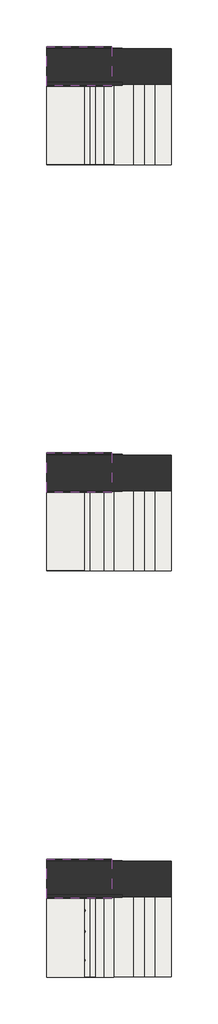
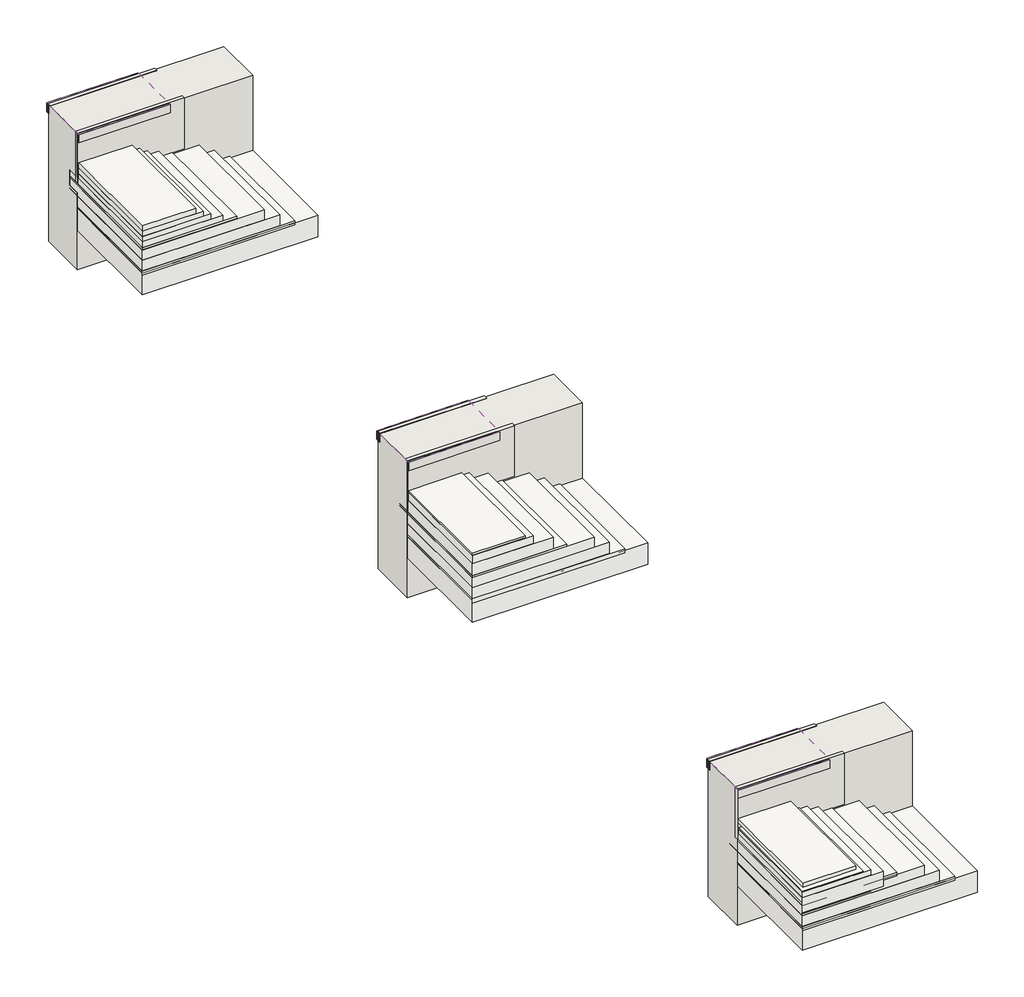
# One storey: 19 slabs, 15 walls, 10 coverings, 6 pipe segments.
"""IFC4 building model written with IfcOpenShell, lengths in millimetres."""

from ifc_helpers import new_model, si_unit, point, frame, frame_2d, origin, place, context, project, spatial, polyline, circle_curve, trimmed, segment, composite_curve, outline, extrude, faceted_brep, element, save

model = new_model("IFC4")

# Units and contexts
model_context = context("Model", 3, world=origin())
ifc_project = project(units=[si_unit("LENGTHUNIT", "METRE", prefix="MILLI")], contexts=[model_context])

# Site, building, storey
site = spatial("IfcSite", under=ifc_project)
building = spatial("IfcBuilding", under=site)
storey = spatial("IfcBuildingStorey", under=building, Elevation=0.0)

# Coverings
placement = place(None, origin())
element("IfcCovering", 1, at=placement, inside=storey, context=model_context, shape_type="SweptSolid", body=[
    extrude(outline(polyline([(-23182.5624154, -7231.5458538), (-21182.5624154, -7231.5458538), (-21182.5624154, -8710.8477988), (-23182.5624154, -8710.8477988), (-23182.5624154, -7231.5458538)])), frame((0.0, 0.0, 179.3793099), z_axis=(0.0, 0.0, 1.0), x_axis=(1.0, 0.0, 0.0)), (0.0, 0.0, 1.0), 57.0),
])
element("IfcCovering", 2, at=placement, inside=storey, context=model_context, shape_type="SweptSolid", body=[
    extrude(outline(polyline([(-23182.5624154, -7061.953305), (-21942.5624154, -7061.953305), (-21942.5624154, -8705.5927539), (-23182.5624154, -8705.5927539), (-23182.5624154, -7061.953305)])), frame((0.0, 0.0, 507.3951932), z_axis=(0.0, 0.0, 1.0), x_axis=(1.0, 0.0, 0.0)), (0.0, 0.0, 1.0), 52.0),
])
element("IfcCovering", 3, at=placement, inside=storey, context=model_context, shape_type="SweptSolid", body=[
    extrude(outline(polyline([(-23182.5624154, -6530.8983335), (-21982.5624154, -6530.8983335), (-21982.5624154, -7258.1400678), (-23182.5624154, -7258.1400678), (-23182.5624154, -6530.8983335)])), frame((0.0, 0.0, 1254.3055564), z_axis=(0.0, 0.0, 1.0), x_axis=(1.0, 0.0, 0.0)), (0.0, 0.0, 1.0), 52.0),
])
element("IfcCovering", 4, at=placement, inside=storey, context=model_context, shape_type="SweptSolid", body=[
    extrude(outline(polyline([(-23182.5624154, -14731.5458538), (-21182.5624154, -14731.5458538), (-21182.5624154, -16210.8477988), (-23182.5624154, -16210.8477988), (-23182.5624154, -14731.5458538)])), frame((0.0, 0.0, 179.3793099), z_axis=(0.0, 0.0, 1.0), x_axis=(1.0, 0.0, 0.0)), (0.0, 0.0, 1.0), 57.0),
])
element("IfcCovering", 5, at=placement, inside=storey, context=model_context, shape_type="SweptSolid", body=[
    extrude(outline(polyline([(-23182.5624154, -14561.953305), (-21942.5624154, -14561.953305), (-21942.5624154, -16208.7700458), (-23182.5624154, -16208.7700458), (-23182.5624154, -14561.953305)])), frame((0.0, 0.0, 507.3951932), z_axis=(0.0, 0.0, 1.0), x_axis=(1.0, 0.0, 0.0)), (0.0, 0.0, 1.0), 52.0),
])
element("IfcCovering", 6, at=placement, inside=storey, context=model_context, shape_type="SweptSolid", body=[
    extrude(outline(polyline([(-23182.5624154, -14033.7541097), (-21982.5624154, -14033.7541097), (-21982.5624154, -14760.9958441), (-23182.5624154, -14760.9958441), (-23182.5624154, -14033.7541097)])), frame((0.0, 0.0, 1254.3055564), z_axis=(0.0, 0.0, 1.0), x_axis=(1.0, 0.0, 0.0)), (0.0, 0.0, 1.0), 52.0),
])
element("IfcCovering", 7, at=placement, inside=storey, context=model_context, shape_type="SweptSolid", body=[
    extrude(outline(polyline([(-23182.5624154, -22231.5458538), (-21182.5624154, -22231.5458538), (-21182.5624154, -23710.8477988), (-23182.5624154, -23710.8477988), (-23182.5624154, -22231.5458538)])), frame((0.0, 0.0, 179.3793099), z_axis=(0.0, 0.0, 1.0), x_axis=(1.0, 0.0, 0.0)), (0.0, 0.0, 1.0), 57.0),
])
element("IfcCovering", 8, at=placement, inside=storey, context=model_context, shape_type="SweptSolid", body=[
    extrude(outline(polyline([(-23182.5624154, -22061.953305), (-21942.5624154, -22061.953305), (-21942.5624154, -23711.953305), (-23182.5624154, -23711.953305), (-23182.5624154, -22061.953305)])), frame((0.0, 0.0, 507.3951932), z_axis=(0.0, 0.0, 1.0), x_axis=(1.0, 0.0, 0.0)), (0.0, 0.0, 1.0), 52.0),
])
element("IfcCovering", 9, at=placement, inside=storey, context=model_context, shape_type="SweptSolid", body=[
    extrude(outline(polyline([(-23182.5624154, -22240.66973), (-22482.5624154, -22240.66973), (-22482.5624154, -23719.971675), (-23182.5624154, -23719.971675), (-23182.5624154, -22240.66973)])), frame((0.0, 0.0, 791.8317649), z_axis=(0.0, 0.0, 1.0), x_axis=(1.0, 0.0, 0.0)), (0.0, 0.0, 1.0), 52.0),
])
element("IfcCovering", 10, at=placement, inside=storey, context=model_context, shape_type="SweptSolid", body=[
    extrude(outline(polyline([(-23182.5624154, -21533.7541097), (-21982.5624154, -21533.7541097), (-21982.5624154, -22260.9958441), (-23182.5624154, -22260.9958441), (-23182.5624154, -21533.7541097)])), frame((0.0, 0.0, 1254.3055564), z_axis=(0.0, 0.0, 1.0), x_axis=(1.0, 0.0, 0.0)), (0.0, 0.0, 1.0), 52.0),
])

# Pipe segments
element("IfcPipeSegment", 11, at=placement, inside=storey, context=model_context, shape_type="SweptSolid", body=[
    extrude(outline(composite_curve([segment(trimmed(circle_curve(frame_2d((-22522.6890772, -23403.1916701)), 21.082), [point((-22543.7710772, -23403.1916701))], [point((-22522.6890772, -23382.1096701))], False, "CARTESIAN"), True, "CONTINUOUS"), segment(trimmed(circle_curve(frame_2d((-22522.6890772, -23403.1916701)), 21.082), [point((-22522.6890772, -23382.1096701))], [point((-22501.6070772, -23403.1916701))], False, "CARTESIAN"), True, "CONTINUOUS"), segment(trimmed(circle_curve(frame_2d((-22522.6890772, -23403.1916701)), 21.082), [point((-22501.6070772, -23403.1916701))], [point((-22522.6890772, -23424.2736701))], False, "CARTESIAN"), True, "CONTINUOUS"), segment(trimmed(circle_curve(frame_2d((-22522.6890772, -23403.1916701)), 21.082), [point((-22522.6890772, -23424.2736701))], [point((-22543.7710772, -23403.1916701))], False, "CARTESIAN"), True, "CONTINUOUS")], self_intersect=False)), frame((0.0, 0.0, 731.3853786), z_axis=(0.0, 0.0, 1.0), x_axis=(1.0, 0.0, 0.0)), (0.0, 0.0, 1.0), 55.0),
])
element("IfcPipeSegment", 12, at=placement, inside=storey, context=model_context, shape_type="SweptSolid", body=[
    extrude(outline(composite_curve([segment(trimmed(circle_curve(frame_2d((-22522.6890772, -23403.1916701)), 57.15), [point((-22579.8390772, -23403.1916701))], [point((-22522.6890772, -23346.0416701))], False, "CARTESIAN"), True, "CONTINUOUS"), segment(trimmed(circle_curve(frame_2d((-22522.6890772, -23403.1916701)), 57.15), [point((-22522.6890772, -23346.0416701))], [point((-22465.5390772, -23403.1916701))], False, "CARTESIAN"), True, "CONTINUOUS"), segment(trimmed(circle_curve(frame_2d((-22522.6890772, -23403.1916701)), 57.15), [point((-22465.5390772, -23403.1916701))], [point((-22522.6890772, -23460.3416701))], False, "CARTESIAN"), True, "CONTINUOUS"), segment(trimmed(circle_curve(frame_2d((-22522.6890772, -23403.1916701)), 57.15), [point((-22522.6890772, -23460.3416701))], [point((-22579.8390772, -23403.1916701))], False, "CARTESIAN"), True, "CONTINUOUS")], self_intersect=False)), frame((0.0, 0.0, 731.3853786), z_axis=(0.0, 0.0, 1.0), x_axis=(1.0, 0.0, 0.0)), (0.0, 0.0, 1.0), 20.0),
])
element("IfcPipeSegment", 13, at=placement, inside=storey, context=model_context, shape_type="SweptSolid", body=[
    extrude(outline(composite_curve([segment(trimmed(circle_curve(frame_2d((-22522.6890772, -22868.3408869)), 21.082), [point((-22543.7710772, -22868.3408869))], [point((-22522.6890772, -22847.2588869))], False, "CARTESIAN"), True, "CONTINUOUS"), segment(trimmed(circle_curve(frame_2d((-22522.6890772, -22868.3408869)), 21.082), [point((-22522.6890772, -22847.2588869))], [point((-22501.6070772, -22868.3408869))], False, "CARTESIAN"), True, "CONTINUOUS"), segment(trimmed(circle_curve(frame_2d((-22522.6890772, -22868.3408869)), 21.082), [point((-22501.6070772, -22868.3408869))], [point((-22522.6890772, -22889.4228869))], False, "CARTESIAN"), True, "CONTINUOUS"), segment(trimmed(circle_curve(frame_2d((-22522.6890772, -22868.3408869)), 21.082), [point((-22522.6890772, -22889.4228869))], [point((-22543.7710772, -22868.3408869))], False, "CARTESIAN"), True, "CONTINUOUS")], self_intersect=False)), frame((0.0, 0.0, 731.3853786), z_axis=(0.0, 0.0, 1.0), x_axis=(1.0, 0.0, 0.0)), (0.0, 0.0, 1.0), 55.0),
])
element("IfcPipeSegment", 14, at=placement, inside=storey, context=model_context, shape_type="SweptSolid", body=[
    extrude(outline(composite_curve([segment(trimmed(circle_curve(frame_2d((-22522.6890772, -22868.3408869)), 57.15), [point((-22579.8390772, -22868.3408869))], [point((-22522.6890772, -22811.1908869))], False, "CARTESIAN"), True, "CONTINUOUS"), segment(trimmed(circle_curve(frame_2d((-22522.6890772, -22868.3408869)), 57.15), [point((-22522.6890772, -22811.1908869))], [point((-22465.5390772, -22868.3408869))], False, "CARTESIAN"), True, "CONTINUOUS"), segment(trimmed(circle_curve(frame_2d((-22522.6890772, -22868.3408869)), 57.15), [point((-22465.5390772, -22868.3408869))], [point((-22522.6890772, -22925.4908869))], False, "CARTESIAN"), True, "CONTINUOUS"), segment(trimmed(circle_curve(frame_2d((-22522.6890772, -22868.3408869)), 57.15), [point((-22522.6890772, -22925.4908869))], [point((-22579.8390772, -22868.3408869))], False, "CARTESIAN"), True, "CONTINUOUS")], self_intersect=False)), frame((0.0, 0.0, 731.3853786), z_axis=(0.0, 0.0, 1.0), x_axis=(1.0, 0.0, 0.0)), (0.0, 0.0, 1.0), 20.0),
])
element("IfcPipeSegment", 15, at=placement, inside=storey, context=model_context, shape_type="SweptSolid", body=[
    extrude(outline(composite_curve([segment(trimmed(circle_curve(frame_2d((-22522.6890772, -22480.5314831)), 21.082), [point((-22543.7710772, -22480.5314831))], [point((-22522.6890772, -22459.4494831))], False, "CARTESIAN"), True, "CONTINUOUS"), segment(trimmed(circle_curve(frame_2d((-22522.6890772, -22480.5314831)), 21.082), [point((-22522.6890772, -22459.4494831))], [point((-22501.6070772, -22480.5314831))], False, "CARTESIAN"), True, "CONTINUOUS"), segment(trimmed(circle_curve(frame_2d((-22522.6890772, -22480.5314831)), 21.082), [point((-22501.6070772, -22480.5314831))], [point((-22522.6890772, -22501.6134831))], False, "CARTESIAN"), True, "CONTINUOUS"), segment(trimmed(circle_curve(frame_2d((-22522.6890772, -22480.5314831)), 21.082), [point((-22522.6890772, -22501.6134831))], [point((-22543.7710772, -22480.5314831))], False, "CARTESIAN"), True, "CONTINUOUS")], self_intersect=False)), frame((0.0, 0.0, 731.3853786), z_axis=(0.0, 0.0, 1.0), x_axis=(1.0, 0.0, 0.0)), (0.0, 0.0, 1.0), 55.0),
])
element("IfcPipeSegment", 16, at=placement, inside=storey, context=model_context, shape_type="SweptSolid", body=[
    extrude(outline(composite_curve([segment(trimmed(circle_curve(frame_2d((-22522.6890772, -22480.5314831)), 57.15), [point((-22579.8390772, -22480.5314831))], [point((-22522.6890772, -22423.3814831))], False, "CARTESIAN"), True, "CONTINUOUS"), segment(trimmed(circle_curve(frame_2d((-22522.6890772, -22480.5314831)), 57.15), [point((-22522.6890772, -22423.3814831))], [point((-22465.5390772, -22480.5314831))], False, "CARTESIAN"), True, "CONTINUOUS"), segment(trimmed(circle_curve(frame_2d((-22522.6890772, -22480.5314831)), 57.15), [point((-22465.5390772, -22480.5314831))], [point((-22522.6890772, -22537.6814831))], False, "CARTESIAN"), True, "CONTINUOUS"), segment(trimmed(circle_curve(frame_2d((-22522.6890772, -22480.5314831)), 57.15), [point((-22522.6890772, -22537.6814831))], [point((-22579.8390772, -22480.5314831))], False, "CARTESIAN"), True, "CONTINUOUS")], self_intersect=False)), frame((0.0, 0.0, 731.3853786), z_axis=(0.0, 0.0, 1.0), x_axis=(1.0, 0.0, 0.0)), (0.0, 0.0, 1.0), 20.0),
])

# Slabs
element("IfcSlab", 17, at=placement, inside=storey, context=model_context, shape_type="SweptSolid", body=[
    extrude(outline(polyline([(-23182.5624154, -7230.9709867), (-20882.5624154, -7230.9709867), (-20882.5624154, -8710.2729317), (-23182.5624154, -8710.2729317), (-23182.5624154, -7230.9709867)])), frame((0.0, 0.0, -90.0), z_axis=(0.0, 0.0, 1.0), x_axis=(1.0, 0.0, 0.0)), (0.0, 0.0, 1.0), 300.0),
])
element("IfcSlab", 18, at=placement, inside=storey, context=model_context, shape_type="SweptSolid", body=[
    extrude(outline(polyline([(-23182.5624154, -7059.9075872), (-21382.5624154, -7059.9075872), (-21382.5624154, -8710.8477988), (-23182.5624154, -8710.8477988), (-23182.5624154, -7059.9075872)])), frame((0.0, 0.0, 240.0), z_axis=(0.0, 0.0, 1.0), x_axis=(1.0, 0.0, 0.0)), (0.0, 0.0, 1.0), 150.0),
])
element("IfcSlab", 19, at=placement, inside=storey, context=model_context, shape_type="SweptSolid", body=[
    extrude(outline(polyline([(-23182.5624154, -7059.6455739), (-21582.5624154, -7059.6455739), (-21582.5624154, -8710.5857855), (-23182.5624154, -8710.5857855), (-23182.5624154, -7059.6455739)])), frame((0.0, 0.0, 380.0), z_axis=(0.0, 0.0, 1.0), x_axis=(1.0, 0.0, 0.0)), (0.0, 0.0, 1.0), 150.0),
])
element("IfcSlab", 20, at=placement, inside=storey, context=model_context, shape_type="Brep", body=[
    faceted_brep([(-23182.5624154, -7059.6455739, 430.0), (-22122.5624154, -7059.6455739, 430.0), (-22122.5624154, -7230.9709867, 430.0), (-22122.5624154, -8705.5927539, 430.0), (-23182.5624154, -8705.5927539, 430.0), (-23182.5624154, -7230.9709867, 430.0), (-23182.5624154, -7059.6455739, 640.0), (-23182.5624154, -7230.9709867, 640.0), (-23182.5624154, -8705.5927539, 640.0), (-22122.5624154, -8705.5927539, 640.0), (-22122.5624154, -7230.9709867, 640.0), (-22122.5624154, -7059.6455739, 640.0)], [[[0, 1, 2, 3, 4, 5]], [[6, 7, 8, 9, 10, 11]], [[1, 0, 6, 11]], [[3, 2, 1, 11, 10, 9]], [[4, 3, 9, 8]], [[0, 5, 4, 8, 7, 6]]]),
])
element("IfcSlab", 21, at=placement, inside=storey, context=model_context, shape_type="SweptSolid", body=[
    extrude(outline(polyline([(-23182.5624154, -7263.212721), (-22282.5624154, -7263.212721), (-22282.5624154, -8705.5927539), (-23182.5624154, -8705.5927539), (-23182.5624154, -7263.212721)])), frame((0.0, 0.0, 413.8060402), z_axis=(0.0, 0.0, 1.0), x_axis=(1.0, 0.0, 0.0)), (0.0, 0.0, 1.0), 300.0),
])
element("IfcSlab", 22, at=placement, inside=storey, context=model_context, shape_type="SweptSolid", body=[
    extrude(outline(polyline([(-23182.5624154, -7263.5707627), (-22382.5624154, -7263.5707627), (-22382.5624154, -8705.5927539), (-23182.5624154, -8705.5927539), (-23182.5624154, -7263.5707627)])), frame((0.0, 0.0, 560.0), z_axis=(0.0, 0.0, 1.0), x_axis=(1.0, 0.0, 0.0)), (0.0, 0.0, 1.0), 225.0),
])
element("IfcSlab", 23, at=placement, inside=storey, context=model_context, shape_type="SweptSolid", body=[
    extrude(outline(polyline([(-23182.5624154, -7261.6262456), (-22482.5624154, -7261.6262456), (-22482.5624154, -8705.5927539), (-23182.5624154, -8705.5927539), (-23182.5624154, -7261.6262456)])), frame((0.0, 0.0, 500.0), z_axis=(0.0, 0.0, 1.0), x_axis=(1.0, 0.0, 0.0)), (0.0, 0.0, 1.0), 362.0),
])
element("IfcSlab", 24, at=placement, inside=storey, context=model_context, shape_type="SweptSolid", body=[
    extrude(outline(polyline([(-23182.5624154, -14730.9709867), (-20882.5624154, -14730.9709867), (-20882.5624154, -16210.2729317), (-23182.5624154, -16210.2729317), (-23182.5624154, -14730.9709867)])), frame((0.0, 0.0, -90.0), z_axis=(0.0, 0.0, 1.0), x_axis=(1.0, 0.0, 0.0)), (0.0, 0.0, 1.0), 300.0),
])
element("IfcSlab", 25, at=placement, inside=storey, context=model_context, shape_type="SweptSolid", body=[
    extrude(outline(polyline([(-23182.5624154, -14559.9075872), (-21382.5624154, -14559.9075872), (-21382.5624154, -16210.8477988), (-23182.5624154, -16210.8477988), (-23182.5624154, -14559.9075872)])), frame((0.0, 0.0, 240.0), z_axis=(0.0, 0.0, 1.0), x_axis=(1.0, 0.0, 0.0)), (0.0, 0.0, 1.0), 150.0),
])
element("IfcSlab", 26, at=placement, inside=storey, context=model_context, shape_type="SweptSolid", body=[
    extrude(outline(polyline([(-23182.5624154, -14559.6455739), (-21582.5624154, -14559.6455739), (-21582.5624154, -16210.5857855), (-23182.5624154, -16210.5857855), (-23182.5624154, -14559.6455739)])), frame((0.0, 0.0, 380.0), z_axis=(0.0, 0.0, 1.0), x_axis=(1.0, 0.0, 0.0)), (0.0, 0.0, 1.0), 150.0),
])
element("IfcSlab", 27, at=placement, inside=storey, context=model_context, shape_type="SweptSolid", body=[
    extrude(outline(polyline([(-23182.5624154, -14559.6455739), (-22122.5624154, -14559.6455739), (-22122.5624154, -16208.7700458), (-23182.5624154, -16208.7700458), (-23182.5624154, -14559.6455739)])), frame((0.0, 0.0, 512.4574857), z_axis=(0.0, 0.0, 1.0), x_axis=(1.0, 0.0, 0.0)), (0.0, 0.0, 1.0), 210.0),
])
element("IfcSlab", 28, at=placement, inside=storey, context=model_context, shape_type="SweptSolid", body=[
    extrude(outline(polyline([(-23182.5624154, -14759.7109913), (-22382.5624154, -14759.7109913), (-22382.5624154, -16207.6374119), (-23182.5624154, -16207.6374119), (-23182.5624154, -14759.7109913)])), frame((0.0, 0.0, 606.3172572), z_axis=(0.0, 0.0, 1.0), x_axis=(1.0, 0.0, 0.0)), (0.0, 0.0, 1.0), 225.0),
])
element("IfcSlab", 29, at=placement, inside=storey, context=model_context, shape_type="SweptSolid", body=[
    extrude(outline(polyline([(-23182.5624154, -14761.6262456), (-22482.5624154, -14761.6262456), (-22482.5624154, -16196.6262456), (-23182.5624154, -16196.6262456), (-23182.5624154, -14761.6262456)])), frame((0.0, 0.0, 500.0), z_axis=(0.0, 0.0, 1.0), x_axis=(1.0, 0.0, 0.0)), (0.0, 0.0, 1.0), 362.0),
])
element("IfcSlab", 30, at=placement, inside=storey, context=model_context, shape_type="SweptSolid", body=[
    extrude(outline(polyline([(-23182.5624154, -22230.9709867), (-20882.5624154, -22230.9709867), (-20882.5624154, -23710.2729317), (-23182.5624154, -23710.2729317), (-23182.5624154, -22230.9709867)])), frame((0.0, 0.0, -90.0), z_axis=(0.0, 0.0, 1.0), x_axis=(1.0, 0.0, 0.0)), (0.0, 0.0, 1.0), 300.0),
])
element("IfcSlab", 31, at=placement, inside=storey, context=model_context, shape_type="SweptSolid", body=[
    extrude(outline(polyline([(-23182.5624154, -22059.9075872), (-21382.5624154, -22059.9075872), (-21382.5624154, -23710.8477988), (-23182.5624154, -23710.8477988), (-23182.5624154, -22059.9075872)])), frame((0.0, 0.0, 240.0), z_axis=(0.0, 0.0, 1.0), x_axis=(1.0, 0.0, 0.0)), (0.0, 0.0, 1.0), 150.0),
])
element("IfcSlab", 32, at=placement, inside=storey, context=model_context, shape_type="SweptSolid", body=[
    extrude(outline(polyline([(-23182.5624154, -22059.6455739), (-21582.5624154, -22059.6455739), (-21582.5624154, -23710.5857855), (-23182.5624154, -23710.5857855), (-23182.5624154, -22059.6455739)])), frame((0.0, 0.0, 380.0), z_axis=(0.0, 0.0, 1.0), x_axis=(1.0, 0.0, 0.0)), (0.0, 0.0, 1.0), 150.0),
])
element("IfcSlab", 33, at=placement, inside=storey, context=model_context, shape_type="SweptSolid", body=[
    extrude(outline(polyline([(-23182.5624154, -22059.6455739), (-22122.5624154, -22059.6455739), (-22122.5624154, -23713.526454), (-23182.5624154, -23713.526454), (-23182.5624154, -22059.6455739)])), frame((0.0, 0.0, 430.0), z_axis=(0.0, 0.0, 1.0), x_axis=(1.0, 0.0, 0.0)), (0.0, 0.0, 1.0), 210.0),
])
element("IfcSlab", 34, at=placement, inside=storey, context=model_context, shape_type="SweptSolid", body=[
    extrude(outline(polyline([(-23182.5624154, -22263.212721), (-22282.5624154, -22263.212721), (-22282.5624154, -23711.1391417), (-23182.5624154, -23711.1391417), (-23182.5624154, -22263.212721)])), frame((0.0, 0.0, 413.8060402), z_axis=(0.0, 0.0, 1.0), x_axis=(1.0, 0.0, 0.0)), (0.0, 0.0, 1.0), 300.0),
])
element("IfcSlab", 35, at=placement, inside=storey, context=model_context, shape_type="SweptSolid", body=[
    extrude(outline(polyline([(-23182.5624154, -22261.9118761), (-22382.5624154, -22261.9118761), (-22382.5624154, -23709.8382967), (-23182.5624154, -23709.8382967), (-23182.5624154, -22261.9118761)])), frame((0.0, 0.0, 503.5978561), z_axis=(0.0, 0.0, 1.0), x_axis=(1.0, 0.0, 0.0)), (0.0, 0.0, 1.0), 225.0),
])

# Walls
element("IfcWall", 36, at=placement, inside=storey, context=model_context, shape_type="Brep", body=[
    faceted_brep([(-20882.5624154, -6575.9709867, -640.6206901), (-23182.5624154, -6575.9709867, -640.6206901), (-23182.5624154, -6575.9709867, 1254.3055564), (-20882.5624154, -6575.9709867, 1254.3055564), (-23182.5624154, -7230.9709867, -640.6206901), (-20882.5624154, -7230.9709867, -640.6206901), (-20882.5624154, -7230.9709867, -90.0), (-20882.5624154, -7230.9709867, 210.0), (-20882.5624154, -7230.9709867, 1254.3055564), (-23182.5624154, -7230.9709867, 1254.3055564), (-23182.5624154, -7230.9709867, 640.0), (-22122.5624154, -7230.9709867, 640.0), (-22122.5624154, -7230.9709867, 430.0), (-23182.5624154, -7230.9709867, 430.0), (-23182.5624154, -7230.9709867, 210.0), (-23182.5624154, -7230.9709867, -90.0), (-23182.5624154, -7059.6455739, 430.0), (-23182.5624154, -7059.6455739, 640.0), (-22122.5624154, -7059.6455739, 430.0), (-22122.5624154, -7059.6455739, 640.0)], [[[0, 1, 2, 3]], [[4, 5, 6, 7, 8, 9, 10, 11, 12, 13, 14, 15]], [[1, 0, 5, 4]], [[2, 1, 4, 15, 14, 13, 16, 17, 10, 9]], [[3, 2, 9, 8]], [[0, 3, 8, 7, 6, 5]], [[18, 16, 13, 12]], [[17, 19, 11, 10]], [[16, 18, 19, 17]], [[19, 18, 12, 11]]]),
])
element("IfcWall", 37, at=placement, inside=storey, context=model_context, shape_type="SweptSolid", body=[
    extrude(outline(polyline([(-23182.5624154, -6560.9709867), (-21782.5624154, -6560.9709867), (-21782.5624154, -6610.9709867), (-23182.5624154, -6610.9709867), (-23182.5624154, -6560.9709867)])), frame((0.0, 0.0, 1135.1358729), z_axis=(0.0, 0.0, 1.0), x_axis=(1.0, 0.0, 0.0)), (0.0, 0.0, 1.0), 124.390275),
])
element("IfcWall", 38, at=placement, inside=storey, context=model_context, shape_type="SweptSolid", body=[
    extrude(outline(polyline([(-23182.5624154, -7190.9709867), (-21782.5624154, -7190.9709867), (-21782.5624154, -7240.9709867), (-23182.5624154, -7240.9709867), (-23182.5624154, -7190.9709867)])), frame((0.0, 0.0, 556.4497982), z_axis=(0.0, 0.0, 1.0), x_axis=(1.0, 0.0, 0.0)), (0.0, 0.0, 1.0), 703.5502018),
])
element("IfcWall", 39, at=placement, inside=storey, context=model_context, shape_type="SweptSolid", body=[
    extrude(outline(polyline([(-23182.5624154, -6535.9709867), (-21982.5624154, -6535.9709867), (-21982.5624154, -6585.9709867), (-23182.5624154, -6585.9709867), (-23182.5624154, -6535.9709867)])), frame((0.0, 0.0, 1131.3607465), z_axis=(0.0, 0.0, 1.0), x_axis=(1.0, 0.0, 0.0)), (0.0, 0.0, 1.0), 122.9448099),
])
element("IfcWall", 40, at=placement, inside=storey, context=model_context, shape_type="SweptSolid", body=[
    extrude(outline(polyline([(-23182.5624154, -7210.9958441), (-21982.5624154, -7210.9958441), (-21982.5624154, -7260.9958441), (-23182.5624154, -7260.9958441), (-23182.5624154, -7210.9958441)])), frame((0.0, 0.0, 1138.8977316), z_axis=(0.0, 0.0, 1.0), x_axis=(1.0, 0.0, 0.0)), (0.0, 0.0, 1.0), 115.4078248),
])
element("IfcWall", 41, at=placement, inside=storey, context=model_context, shape_type="Brep", body=[
    faceted_brep([(-20882.5624154, -14075.9709867, -640.6206901), (-23182.5624154, -14075.9709867, -640.6206901), (-23182.5624154, -14075.9709867, 1254.3055564), (-20882.5624154, -14075.9709867, 1254.3055564), (-20882.5624154, -14730.9709867, -640.6206901), (-20882.5624154, -14730.9709867, -90.0), (-20882.5624154, -14730.9709867, 210.0), (-20882.5624154, -14730.9709867, 1254.3055564), (-23182.5624154, -14730.9709867, 1254.3055564), (-23182.5624154, -14730.9709867, 210.0), (-23182.5624154, -14730.9709867, -90.0), (-23182.5624154, -14730.9709867, -640.6206901)], [[[0, 1, 2, 3]], [[4, 5, 6, 7, 8, 9, 10, 11]], [[1, 0, 4, 11]], [[2, 1, 11, 10, 9, 8]], [[3, 2, 8, 7]], [[0, 3, 7, 6, 5, 4]]]),
])
element("IfcWall", 42, at=placement, inside=storey, context=model_context, shape_type="SweptSolid", body=[
    extrude(outline(polyline([(-23182.5624154, -14060.9709867), (-21782.5624154, -14060.9709867), (-21782.5624154, -14110.9709867), (-23182.5624154, -14110.9709867), (-23182.5624154, -14060.9709867)])), frame((0.0, 0.0, 1135.1358729), z_axis=(0.0, 0.0, 1.0), x_axis=(1.0, 0.0, 0.0)), (0.0, 0.0, 1.0), 124.390275),
])
element("IfcWall", 43, at=placement, inside=storey, context=model_context, shape_type="SweptSolid", body=[
    extrude(outline(polyline([(-23182.5624154, -14690.9709867), (-21782.5624154, -14690.9709867), (-21782.5624154, -14740.9709867), (-23182.5624154, -14740.9709867), (-23182.5624154, -14690.9709867)])), frame((0.0, 0.0, 556.4497982), z_axis=(0.0, 0.0, 1.0), x_axis=(1.0, 0.0, 0.0)), (0.0, 0.0, 1.0), 703.5502018),
])
element("IfcWall", 44, at=placement, inside=storey, context=model_context, shape_type="SweptSolid", body=[
    extrude(outline(polyline([(-23182.5624154, -14035.9709867), (-21982.5624154, -14035.9709867), (-21982.5624154, -14085.9709867), (-23182.5624154, -14085.9709867), (-23182.5624154, -14035.9709867)])), frame((0.0, 0.0, 1131.3607465), z_axis=(0.0, 0.0, 1.0), x_axis=(1.0, 0.0, 0.0)), (0.0, 0.0, 1.0), 122.9448099),
])
element("IfcWall", 45, at=placement, inside=storey, context=model_context, shape_type="SweptSolid", body=[
    extrude(outline(polyline([(-23182.5624154, -14710.9958441), (-21982.5624154, -14710.9958441), (-21982.5624154, -14760.9958441), (-23182.5624154, -14760.9958441), (-23182.5624154, -14710.9958441)])), frame((0.0, 0.0, 1138.8977316), z_axis=(0.0, 0.0, 1.0), x_axis=(1.0, 0.0, 0.0)), (0.0, 0.0, 1.0), 115.4078248),
])
element("IfcWall", 46, at=placement, inside=storey, context=model_context, shape_type="Brep", body=[
    faceted_brep([(-20882.5624154, -21575.9709867, -640.6206901), (-23182.5624154, -21575.9709867, -640.6206901), (-23182.5624154, -21575.9709867, 1254.3055564), (-20882.5624154, -21575.9709867, 1254.3055564), (-20882.5624154, -22230.9709867, -640.6206901), (-20882.5624154, -22230.9709867, -90.0), (-20882.5624154, -22230.9709867, 210.0), (-20882.5624154, -22230.9709867, 1254.3055564), (-23182.5624154, -22230.9709867, 1254.3055564), (-23182.5624154, -22230.9709867, 210.0), (-23182.5624154, -22230.9709867, -90.0), (-23182.5624154, -22230.9709867, -640.6206901)], [[[0, 1, 2, 3]], [[4, 5, 6, 7, 8, 9, 10, 11]], [[1, 0, 4, 11]], [[2, 1, 11, 10, 9, 8]], [[3, 2, 8, 7]], [[0, 3, 7, 6, 5, 4]]]),
])
element("IfcWall", 47, at=placement, inside=storey, context=model_context, shape_type="SweptSolid", body=[
    extrude(outline(polyline([(-23182.5624154, -21560.9709867), (-21782.5624154, -21560.9709867), (-21782.5624154, -21610.9709867), (-23182.5624154, -21610.9709867), (-23182.5624154, -21560.9709867)])), frame((0.0, 0.0, 1135.1358729), z_axis=(0.0, 0.0, 1.0), x_axis=(1.0, 0.0, 0.0)), (0.0, 0.0, 1.0), 124.390275),
])
element("IfcWall", 48, at=placement, inside=storey, context=model_context, shape_type="SweptSolid", body=[
    extrude(outline(polyline([(-23182.5624154, -22190.9709867), (-21782.5624154, -22190.9709867), (-21782.5624154, -22240.9709867), (-23182.5624154, -22240.9709867), (-23182.5624154, -22190.9709867)])), frame((0.0, 0.0, 556.4497982), z_axis=(0.0, 0.0, 1.0), x_axis=(1.0, 0.0, 0.0)), (0.0, 0.0, 1.0), 703.5502018),
])
element("IfcWall", 49, at=placement, inside=storey, context=model_context, shape_type="SweptSolid", body=[
    extrude(outline(polyline([(-23182.5624154, -21535.9709867), (-21982.5624154, -21535.9709867), (-21982.5624154, -21585.9709867), (-23182.5624154, -21585.9709867), (-23182.5624154, -21535.9709867)])), frame((0.0, 0.0, 1131.3607465), z_axis=(0.0, 0.0, 1.0), x_axis=(1.0, 0.0, 0.0)), (0.0, 0.0, 1.0), 122.9448099),
])
element("IfcWall", 50, at=placement, inside=storey, context=model_context, shape_type="SweptSolid", body=[
    extrude(outline(polyline([(-23182.5624154, -22210.9958441), (-21982.5624154, -22210.9958441), (-21982.5624154, -22260.9958441), (-23182.5624154, -22260.9958441), (-23182.5624154, -22210.9958441)])), frame((0.0, 0.0, 1138.8977316), z_axis=(0.0, 0.0, 1.0), x_axis=(1.0, 0.0, 0.0)), (0.0, 0.0, 1.0), 115.4078248),
])

save(model, "model.ifc")
